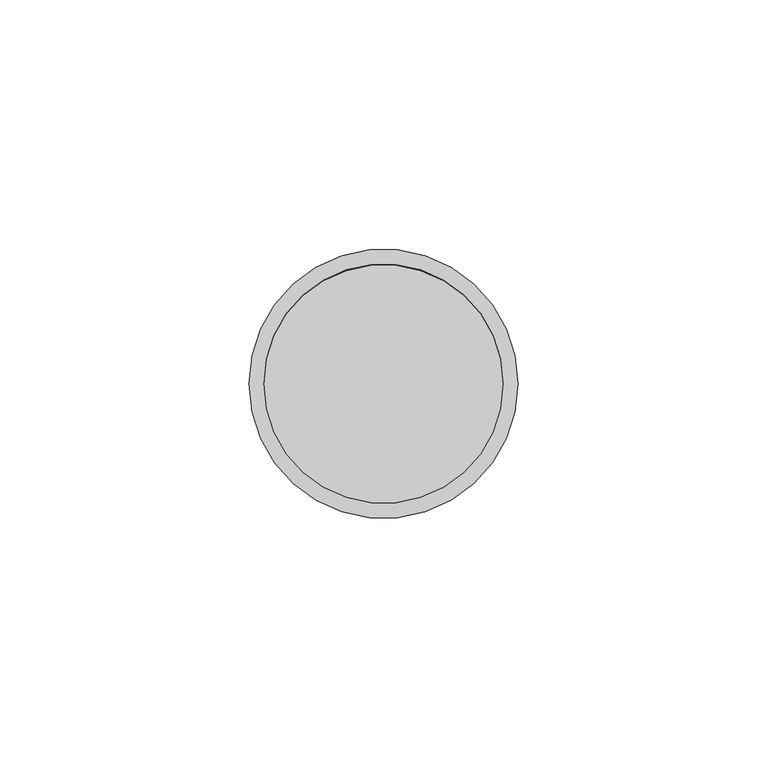
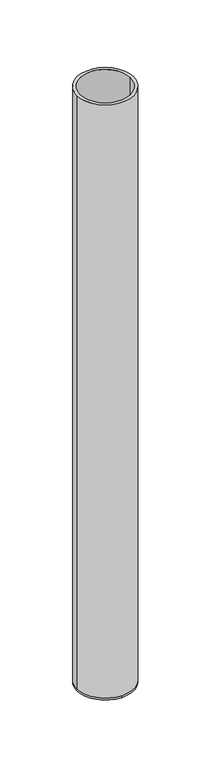
"""IFC4 building model written with IfcOpenShell, lengths in millimetres: beam geometry."""

from ifc_helpers import new_model, si_unit, frame, origin, place, context, project, spatial, polyline, circle_curve, source, transform, mapped, element, save
from ifc_brep_helpers import plane_surface, cylinder_surface, revolved_surface, advanced_brep


def beam_987f2726(model_context):
    return source(origin(), model_context, "Body", "AdvancedBrep", [
        advanced_brep(
        [(27.0, 0.0, 0.0), (-27.0, 0.0, 0.0), (24.0, 0.0, 0.0), (-24.0, 0.0, 0.0), (24.0, 0.0, -598.0), (-24.0, 0.0, -598.0), (27.0, 0.0, -598.0), (0.0, 27.0, -598.0), (-27.0, 0.0, -598.0), (0.0, -27.0, -598.0), (0.0, 27.0, -600.0), (0.0, -27.0, -600.0)],
        [
            (0, 1, circle_curve(frame((0.0, 0.0, 0.0), z_axis=(0.0, 0.0, 1.0), x_axis=(-1.0, 0.0, 0.0)), 27.0)),
            (1, 0, circle_curve(frame((0.0, 0.0, 0.0), z_axis=(0.0, 0.0, 1.0), x_axis=(-1.0, 0.0, 0.0)), 27.0)),
            (2, 3, circle_curve(frame((0.0, 0.0, 0.0), z_axis=(0.0, 0.0, -1.0), x_axis=(-1.0, 0.0, 0.0)), 24.0)),
            (3, 2, circle_curve(frame((0.0, 0.0, 0.0), z_axis=(0.0, 0.0, -1.0), x_axis=(-1.0, 0.0, 0.0)), 24.0)),
            (2, 4),
            (4, 5, circle_curve(frame((0.0, 0.0, -598.0), z_axis=(0.0, 0.0, -1.0), x_axis=(-1.0, 0.0, 0.0)), 24.0)),
            (5, 3),
            (5, 4, circle_curve(frame((0.0, 0.0, -598.0), z_axis=(0.0, 0.0, -1.0), x_axis=(-1.0, 0.0, 0.0)), 24.0)),
            (0, 6),
            (6, 7, circle_curve(frame((0.0, 0.0, -598.0), z_axis=(0.0, 0.0, 1.0), x_axis=(-1.0, 0.0, 0.0)), 27.0)),
            (7, 8, circle_curve(frame((0.0, 0.0, -598.0), z_axis=(0.0, 0.0, 1.0), x_axis=(-1.0, 0.0, 0.0)), 27.0)),
            (8, 1),
            (8, 9, circle_curve(frame((0.0, 0.0, -598.0), z_axis=(0.0, 0.0, 1.0), x_axis=(-1.0, 0.0, 0.0)), 27.0)),
            (9, 6, circle_curve(frame((0.0, 0.0, -598.0), z_axis=(0.0, 0.0, 1.0), x_axis=(-1.0, 0.0, 0.0)), 27.0)),
            (10, 11, circle_curve(frame((0.0, 0.0, -600.0), z_axis=(0.0, 0.0, -1.0), x_axis=(0.0, -1.0, 0.0)), 27.0)),
            (11, 10, circle_curve(frame((0.0, 0.0, -600.0), z_axis=(0.0, 0.0, -1.0), x_axis=(0.0, -1.0, 0.0)), 27.0)),
            (11, 9),
            (7, 10),
        ],
        [
            plane_surface(frame((0.0, 0.0, 0.0), z_axis=(0.0, 0.0, 1.0), x_axis=(0.0, -1.0, 0.0))),
            revolved_surface(polyline([(-24.0, 0.0, 0.0), (-24.0, 0.0, -598.0)]), (0.0, 0.0, -598.0), (0.0, 0.0, 1.0)),
            cylinder_surface(frame((0.0, 0.0, -598.0), z_axis=(0.0, 0.0, -1.0), x_axis=(-1.0, 0.0, 0.0)), 27.0),
            plane_surface(frame((0.0, 0.0, -598.0), z_axis=(0.0, 0.0, 1.0), x_axis=(0.0, -1.0, 0.0))),
            plane_surface(frame((0.0, 0.0, -600.0), z_axis=(0.0, 0.0, -1.0), x_axis=(0.0, -1.0, 0.0))),
            cylinder_surface(frame((0.0, 0.0, -598.0), z_axis=(0.0, 0.0, 1.0), x_axis=(0.0, -1.0, 0.0)), 27.0),
        ],
        [
            (0, [[1, 2], [3, 4]]),
            (1, [[-3, 5, 6, 7]]),
            (1, [[-4, -7, 8, -5]]),
            (2, [[-1, 9, 10, 11, 12]]),
            (2, [[-2, -12, 13, 14, -9]]),
            (3, [[-6, -8]]),
            (4, [[15, 16]]),
            (5, [[-16, 17, -13, -11, 18]]),
            (5, [[-15, -18, -10, -14, -17]]),
        ],
    ),
    ])


if __name__ == "__main__":
    model = new_model("IFC4")
    model_context = context("Model", 3, world=origin())
    ifc_project = project(units=[si_unit("LENGTHUNIT", "METRE", prefix="MILLI")], contexts=[model_context])
    site = spatial("IfcSite", under=ifc_project)
    building = spatial("IfcBuilding", under=site)
    placement = place(None, origin())
    beam_shape = beam_987f2726(model_context)
    element("IfcBeam", 1, at=placement, inside=building, context=model_context, shape_type="MappedRepresentation", body=[
        mapped(beam_shape, transform((0.0, 0.0, 0.0), x_axis=(1.0, 0.0, 0.0), y_axis=(0.0, 1.0, 0.0), z_axis=(0.0, 0.0, 1.0))),
    ])
    save(model, "model.ifc")
